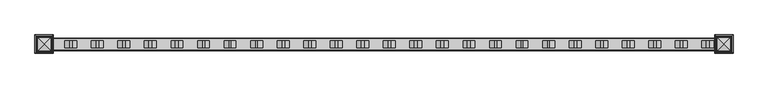
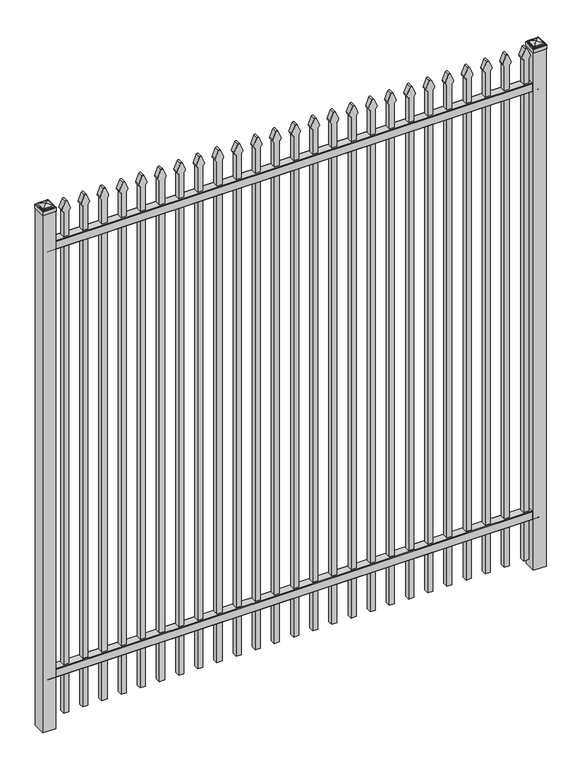
"""IFC4 building model written with IfcOpenShell, lengths in millimetres: railing geometry."""

from ifc_helpers import new_model, si_unit, point, frame, frame_2d, origin, origin_with_axes, place, context, project, spatial, polyline, circle_curve, ellipse_curve, trimmed, segment, composite_curve, outline, extrude, source, transform, mapped, element, save
from ifc_brep_helpers import plane_surface, cylinder_surface, advanced_brep


def railing_430ae31b(model_context):
    return source(origin(), model_context, "Body", "SolidModel", [
        extrude(outline(composite_curve([segment(polyline([(5777.9139761, 304.8), (5815.969541, 304.8)]), True, "CONTINUOUS"), segment(trimmed(circle_curve(frame_2d((5815.969541, 301.625)), 3.175), [point((5815.969541, 304.8))], [point((5819.144541, 301.625))], False, "CARTESIAN"), True, "CONTINUOUS"), segment(polyline([(5819.144541, 301.625), (5819.144541, 262.1439893)]), True, "CONTINUOUS"), segment(trimmed(circle_curve(frame_2d((5817.3505518, 262.1439893)), 1.7939893), [point((5819.144541, 262.1439893))], [point((5817.3505518, 260.35))], False, "CARTESIAN"), True, "CONTINUOUS"), segment(polyline([(5817.3505518, 260.35), (5814.7590713, 260.35)]), True, "CONTINUOUS"), segment(trimmed(circle_curve(frame_2d((5814.7590713, 262.1359375)), 1.7859375), [point((5814.7590713, 260.35))], [point((5812.9755813, 262.0424688))], False, "CARTESIAN"), True, "CONTINUOUS"), segment(polyline([(5812.9755813, 262.0424688), (5811.4025867, 292.0569942), (5782.4364954, 292.0569942), (5780.8635007, 262.0424688)]), True, "CONTINUOUS"), segment(trimmed(circle_curve(frame_2d((5779.0800108, 262.1359375)), 1.7859375), [point((5780.8635007, 262.0424688))], [point((5779.0800108, 260.35))], False, "CARTESIAN"), True, "CONTINUOUS"), segment(polyline([(5779.0800108, 260.35), (5776.4804785, 260.35)]), True, "CONTINUOUS"), segment(trimmed(circle_curve(frame_2d((5776.4804785, 262.1359375)), 1.7859375), [point((5776.4804785, 260.35))], [point((5774.694541, 262.1359375))], False, "CARTESIAN"), True, "CONTINUOUS"), segment(polyline([(5774.694541, 262.1359375), (5774.694541, 301.5805649)]), True, "CONTINUOUS"), segment(trimmed(circle_curve(frame_2d((5777.9139761, 301.5805649)), 3.2194351), [point((5774.694541, 301.5805649))], [point((5777.9139761, 304.8))], False, "CARTESIAN"), True, "CONTINUOUS")], self_intersect=False)), frame((-33015.4649936, 0.0, 0.0), z_axis=(1.0, 0.0, 0.0), x_axis=(0.0, 1.0, 0.0)), (0.0, 0.0, 1.0), 2438.4),
        extrude(outline(composite_curve([segment(polyline([(5777.9139761, 2554.2875), (5815.969541, 2554.2875)]), True, "CONTINUOUS"), segment(trimmed(circle_curve(frame_2d((5815.969541, 2551.1125)), 3.175), [point((5815.969541, 2554.2875))], [point((5819.144541, 2551.1125))], False, "CARTESIAN"), True, "CONTINUOUS"), segment(polyline([(5819.144541, 2551.1125), (5819.144541, 2511.6314893)]), True, "CONTINUOUS"), segment(trimmed(circle_curve(frame_2d((5817.3505518, 2511.6314893)), 1.7939893), [point((5819.144541, 2511.6314893))], [point((5817.3505518, 2509.8375))], False, "CARTESIAN"), True, "CONTINUOUS"), segment(polyline([(5817.3505518, 2509.8375), (5814.7590713, 2509.8375)]), True, "CONTINUOUS"), segment(trimmed(circle_curve(frame_2d((5814.7590713, 2511.6234375)), 1.7859375), [point((5814.7590713, 2509.8375))], [point((5812.9755813, 2511.5299688))], False, "CARTESIAN"), True, "CONTINUOUS"), segment(polyline([(5812.9755813, 2511.5299688), (5811.4025867, 2541.5444942), (5782.4364954, 2541.5444942), (5780.8635007, 2511.5299688)]), True, "CONTINUOUS"), segment(trimmed(circle_curve(frame_2d((5779.0800108, 2511.6234375)), 1.7859375), [point((5780.8635007, 2511.5299688))], [point((5779.0800108, 2509.8375))], False, "CARTESIAN"), True, "CONTINUOUS"), segment(polyline([(5779.0800108, 2509.8375), (5776.4804785, 2509.8375)]), True, "CONTINUOUS"), segment(trimmed(circle_curve(frame_2d((5776.4804785, 2511.6234375)), 1.7859375), [point((5776.4804785, 2509.8375))], [point((5774.694541, 2511.6234375))], False, "CARTESIAN"), True, "CONTINUOUS"), segment(polyline([(5774.694541, 2511.6234375), (5774.694541, 2551.0680649)]), True, "CONTINUOUS"), segment(trimmed(circle_curve(frame_2d((5777.9139761, 2551.0680649)), 3.2194351), [point((5774.694541, 2551.0680649))], [point((5777.9139761, 2554.2875))], False, "CARTESIAN"), True, "CONTINUOUS")], self_intersect=False)), frame((-33015.4649936, 0.0, 0.0), z_axis=(1.0, 0.0, 0.0), x_axis=(0.0, 1.0, 0.0)), (0.0, 0.0, 1.0), 2438.4),
        extrude(outline(composite_curve([segment(polyline([(2683.8798417, -30646.9149936), (50.8, -30646.9149936), (50.8, -30621.5149936), (2683.6579232, -30621.5149936)]), True, "CONTINUOUS"), segment(trimmed(circle_curve(frame_2d((2702.1299402, -30635.3872336)), 23.1009622), [point((2683.6579232, -30621.5149936))], [point((2696.6676176, -30612.9413545))], False, "CARTESIAN"), True, "CONTINUOUS"), segment(polyline([(2696.6676176, -30612.9413545), (2737.1555225, -30629.2605644)]), True, "CONTINUOUS"), segment(trimmed(circle_curve(frame_2d((2734.0045804, -30634.3905764)), 6.0204202), [point((2737.1555225, -30629.2605644))], [point((2737.1555225, -30639.5205884))], False, "CARTESIAN"), True, "CONTINUOUS"), segment(polyline([(2737.1555225, -30639.5205884), (2697.9339948, -30655.4687724)]), True, "CONTINUOUS"), segment(trimmed(circle_curve(frame_2d((2702.1299402, -30632.7520716)), 23.1009622), [point((2697.9339948, -30655.4687724))], [point((2683.8798417, -30646.9149936))], False, "CARTESIAN"), True, "CONTINUOUS")], self_intersect=False)), frame((0.0, 5784.219541, 0.0), z_axis=(0.0, 1.0, 0.0), x_axis=(0.0, 0.0, 1.0)), (0.0, 0.0, 1.0), 25.4),
        extrude(outline(composite_curve([segment(polyline([(2683.8798417, -30742.1649936), (50.8, -30742.1649936), (50.8, -30716.7649936), (2683.6579232, -30716.7649936)]), True, "CONTINUOUS"), segment(trimmed(circle_curve(frame_2d((2702.1299402, -30730.6372336)), 23.1009622), [point((2683.6579232, -30716.7649936))], [point((2696.6676176, -30708.1913545))], False, "CARTESIAN"), True, "CONTINUOUS"), segment(polyline([(2696.6676176, -30708.1913545), (2737.1555225, -30724.5105644)]), True, "CONTINUOUS"), segment(trimmed(circle_curve(frame_2d((2734.0045804, -30729.6405764)), 6.0204202), [point((2737.1555225, -30724.5105644))], [point((2737.1555225, -30734.7705884))], False, "CARTESIAN"), True, "CONTINUOUS"), segment(polyline([(2737.1555225, -30734.7705884), (2697.9339948, -30750.7187724)]), True, "CONTINUOUS"), segment(trimmed(circle_curve(frame_2d((2702.1299402, -30728.0020716)), 23.1009622), [point((2697.9339948, -30750.7187724))], [point((2683.8798417, -30742.1649936))], False, "CARTESIAN"), True, "CONTINUOUS")], self_intersect=False)), frame((0.0, 5784.219541, 0.0), z_axis=(0.0, 1.0, 0.0), x_axis=(0.0, 0.0, 1.0)), (0.0, 0.0, 1.0), 25.4),
        extrude(outline(composite_curve([segment(polyline([(2683.8798417, -30837.4149936), (50.8, -30837.4149936), (50.8, -30812.0149936), (2683.6579232, -30812.0149936)]), True, "CONTINUOUS"), segment(trimmed(circle_curve(frame_2d((2702.1299402, -30825.8872336)), 23.1009622), [point((2683.6579232, -30812.0149936))], [point((2696.6676176, -30803.4413545))], False, "CARTESIAN"), True, "CONTINUOUS"), segment(polyline([(2696.6676176, -30803.4413545), (2737.1555225, -30819.7605644)]), True, "CONTINUOUS"), segment(trimmed(circle_curve(frame_2d((2734.0045804, -30824.8905764)), 6.0204202), [point((2737.1555225, -30819.7605644))], [point((2737.1555225, -30830.0205884))], False, "CARTESIAN"), True, "CONTINUOUS"), segment(polyline([(2737.1555225, -30830.0205884), (2697.9339948, -30845.9687724)]), True, "CONTINUOUS"), segment(trimmed(circle_curve(frame_2d((2702.1299402, -30823.2520716)), 23.1009622), [point((2697.9339948, -30845.9687724))], [point((2683.8798417, -30837.4149936))], False, "CARTESIAN"), True, "CONTINUOUS")], self_intersect=False)), frame((0.0, 5784.219541, 0.0), z_axis=(0.0, 1.0, 0.0), x_axis=(0.0, 0.0, 1.0)), (0.0, 0.0, 1.0), 25.4),
        extrude(outline(composite_curve([segment(polyline([(2683.8798417, -30932.6649936), (50.8, -30932.6649936), (50.8, -30907.2649936), (2683.6579232, -30907.2649936)]), True, "CONTINUOUS"), segment(trimmed(circle_curve(frame_2d((2702.1299402, -30921.1372336)), 23.1009622), [point((2683.6579232, -30907.2649936))], [point((2696.6676176, -30898.6913545))], False, "CARTESIAN"), True, "CONTINUOUS"), segment(polyline([(2696.6676176, -30898.6913545), (2737.1555225, -30915.0105644)]), True, "CONTINUOUS"), segment(trimmed(circle_curve(frame_2d((2734.0045804, -30920.1405764)), 6.0204202), [point((2737.1555225, -30915.0105644))], [point((2737.1555225, -30925.2705884))], False, "CARTESIAN"), True, "CONTINUOUS"), segment(polyline([(2737.1555225, -30925.2705884), (2697.9339948, -30941.2187724)]), True, "CONTINUOUS"), segment(trimmed(circle_curve(frame_2d((2702.1299402, -30918.5020716)), 23.1009622), [point((2697.9339948, -30941.2187724))], [point((2683.8798417, -30932.6649936))], False, "CARTESIAN"), True, "CONTINUOUS")], self_intersect=False)), frame((0.0, 5784.219541, 0.0), z_axis=(0.0, 1.0, 0.0), x_axis=(0.0, 0.0, 1.0)), (0.0, 0.0, 1.0), 25.4),
        extrude(outline(composite_curve([segment(polyline([(2683.8798417, -31027.9149936), (50.8, -31027.9149936), (50.8, -31002.5149936), (2683.6579232, -31002.5149936)]), True, "CONTINUOUS"), segment(trimmed(circle_curve(frame_2d((2702.1299402, -31016.3872336)), 23.1009622), [point((2683.6579232, -31002.5149936))], [point((2696.6676176, -30993.9413545))], False, "CARTESIAN"), True, "CONTINUOUS"), segment(polyline([(2696.6676176, -30993.9413545), (2737.1555225, -31010.2605644)]), True, "CONTINUOUS"), segment(trimmed(circle_curve(frame_2d((2734.0045804, -31015.3905764)), 6.0204202), [point((2737.1555225, -31010.2605644))], [point((2737.1555225, -31020.5205884))], False, "CARTESIAN"), True, "CONTINUOUS"), segment(polyline([(2737.1555225, -31020.5205884), (2697.9339948, -31036.4687724)]), True, "CONTINUOUS"), segment(trimmed(circle_curve(frame_2d((2702.1299402, -31013.7520716)), 23.1009622), [point((2697.9339948, -31036.4687724))], [point((2683.8798417, -31027.9149936))], False, "CARTESIAN"), True, "CONTINUOUS")], self_intersect=False)), frame((0.0, 5784.219541, 0.0), z_axis=(0.0, 1.0, 0.0), x_axis=(0.0, 0.0, 1.0)), (0.0, 0.0, 1.0), 25.4),
        extrude(outline(composite_curve([segment(polyline([(2683.8798417, -31123.1649936), (50.8, -31123.1649936), (50.8, -31097.7649936), (2683.6579232, -31097.7649936)]), True, "CONTINUOUS"), segment(trimmed(circle_curve(frame_2d((2702.1299402, -31111.6372336)), 23.1009622), [point((2683.6579232, -31097.7649936))], [point((2696.6676176, -31089.1913545))], False, "CARTESIAN"), True, "CONTINUOUS"), segment(polyline([(2696.6676176, -31089.1913545), (2737.1555225, -31105.5105644)]), True, "CONTINUOUS"), segment(trimmed(circle_curve(frame_2d((2734.0045804, -31110.6405764)), 6.0204202), [point((2737.1555225, -31105.5105644))], [point((2737.1555225, -31115.7705884))], False, "CARTESIAN"), True, "CONTINUOUS"), segment(polyline([(2737.1555225, -31115.7705884), (2697.9339948, -31131.7187724)]), True, "CONTINUOUS"), segment(trimmed(circle_curve(frame_2d((2702.1299402, -31109.0020716)), 23.1009622), [point((2697.9339948, -31131.7187724))], [point((2683.8798417, -31123.1649936))], False, "CARTESIAN"), True, "CONTINUOUS")], self_intersect=False)), frame((0.0, 5784.219541, 0.0), z_axis=(0.0, 1.0, 0.0), x_axis=(0.0, 0.0, 1.0)), (0.0, 0.0, 1.0), 25.4),
        extrude(outline(composite_curve([segment(polyline([(2683.8798417, -31218.4149936), (50.8, -31218.4149936), (50.8, -31193.0149936), (2683.6579232, -31193.0149936)]), True, "CONTINUOUS"), segment(trimmed(circle_curve(frame_2d((2702.1299402, -31206.8872336)), 23.1009622), [point((2683.6579232, -31193.0149936))], [point((2696.6676176, -31184.4413545))], False, "CARTESIAN"), True, "CONTINUOUS"), segment(polyline([(2696.6676176, -31184.4413545), (2737.1555225, -31200.7605644)]), True, "CONTINUOUS"), segment(trimmed(circle_curve(frame_2d((2734.0045804, -31205.8905764)), 6.0204202), [point((2737.1555225, -31200.7605644))], [point((2737.1555225, -31211.0205884))], False, "CARTESIAN"), True, "CONTINUOUS"), segment(polyline([(2737.1555225, -31211.0205884), (2697.9339948, -31226.9687724)]), True, "CONTINUOUS"), segment(trimmed(circle_curve(frame_2d((2702.1299402, -31204.2520716)), 23.1009622), [point((2697.9339948, -31226.9687724))], [point((2683.8798417, -31218.4149936))], False, "CARTESIAN"), True, "CONTINUOUS")], self_intersect=False)), frame((0.0, 5784.219541, 0.0), z_axis=(0.0, 1.0, 0.0), x_axis=(0.0, 0.0, 1.0)), (0.0, 0.0, 1.0), 25.4),
        extrude(outline(composite_curve([segment(polyline([(2683.8798417, -31313.6649936), (50.8, -31313.6649936), (50.8, -31288.2649936), (2683.6579232, -31288.2649936)]), True, "CONTINUOUS"), segment(trimmed(circle_curve(frame_2d((2702.1299402, -31302.1372336)), 23.1009622), [point((2683.6579232, -31288.2649936))], [point((2696.6676176, -31279.6913545))], False, "CARTESIAN"), True, "CONTINUOUS"), segment(polyline([(2696.6676176, -31279.6913545), (2737.1555225, -31296.0105644)]), True, "CONTINUOUS"), segment(trimmed(circle_curve(frame_2d((2734.0045804, -31301.1405764)), 6.0204202), [point((2737.1555225, -31296.0105644))], [point((2737.1555225, -31306.2705884))], False, "CARTESIAN"), True, "CONTINUOUS"), segment(polyline([(2737.1555225, -31306.2705884), (2697.9339948, -31322.2187724)]), True, "CONTINUOUS"), segment(trimmed(circle_curve(frame_2d((2702.1299402, -31299.5020716)), 23.1009622), [point((2697.9339948, -31322.2187724))], [point((2683.8798417, -31313.6649936))], False, "CARTESIAN"), True, "CONTINUOUS")], self_intersect=False)), frame((0.0, 5784.219541, 0.0), z_axis=(0.0, 1.0, 0.0), x_axis=(0.0, 0.0, 1.0)), (0.0, 0.0, 1.0), 25.4),
        extrude(outline(composite_curve([segment(polyline([(2683.8798417, -31408.9149936), (50.8, -31408.9149936), (50.8, -31383.5149936), (2683.6579232, -31383.5149936)]), True, "CONTINUOUS"), segment(trimmed(circle_curve(frame_2d((2702.1299402, -31397.3872336)), 23.1009622), [point((2683.6579232, -31383.5149936))], [point((2696.6676176, -31374.9413545))], False, "CARTESIAN"), True, "CONTINUOUS"), segment(polyline([(2696.6676176, -31374.9413545), (2737.1555225, -31391.2605644)]), True, "CONTINUOUS"), segment(trimmed(circle_curve(frame_2d((2734.0045804, -31396.3905764)), 6.0204202), [point((2737.1555225, -31391.2605644))], [point((2737.1555225, -31401.5205884))], False, "CARTESIAN"), True, "CONTINUOUS"), segment(polyline([(2737.1555225, -31401.5205884), (2697.9339948, -31417.4687724)]), True, "CONTINUOUS"), segment(trimmed(circle_curve(frame_2d((2702.1299402, -31394.7520716)), 23.1009622), [point((2697.9339948, -31417.4687724))], [point((2683.8798417, -31408.9149936))], False, "CARTESIAN"), True, "CONTINUOUS")], self_intersect=False)), frame((0.0, 5784.219541, 0.0), z_axis=(0.0, 1.0, 0.0), x_axis=(0.0, 0.0, 1.0)), (0.0, 0.0, 1.0), 25.4),
        extrude(outline(composite_curve([segment(polyline([(2683.8798417, -31504.1649936), (50.8, -31504.1649936), (50.8, -31478.7649936), (2683.6579232, -31478.7649936)]), True, "CONTINUOUS"), segment(trimmed(circle_curve(frame_2d((2702.1299402, -31492.6372336)), 23.1009622), [point((2683.6579232, -31478.7649936))], [point((2696.6676176, -31470.1913545))], False, "CARTESIAN"), True, "CONTINUOUS"), segment(polyline([(2696.6676176, -31470.1913545), (2737.1555225, -31486.5105644)]), True, "CONTINUOUS"), segment(trimmed(circle_curve(frame_2d((2734.0045804, -31491.6405764)), 6.0204202), [point((2737.1555225, -31486.5105644))], [point((2737.1555225, -31496.7705884))], False, "CARTESIAN"), True, "CONTINUOUS"), segment(polyline([(2737.1555225, -31496.7705884), (2697.9339948, -31512.7187724)]), True, "CONTINUOUS"), segment(trimmed(circle_curve(frame_2d((2702.1299402, -31490.0020716)), 23.1009622), [point((2697.9339948, -31512.7187724))], [point((2683.8798417, -31504.1649936))], False, "CARTESIAN"), True, "CONTINUOUS")], self_intersect=False)), frame((0.0, 5784.219541, 0.0), z_axis=(0.0, 1.0, 0.0), x_axis=(0.0, 0.0, 1.0)), (0.0, 0.0, 1.0), 25.4),
        extrude(outline(composite_curve([segment(polyline([(2683.8798417, -31599.4149936), (50.8, -31599.4149936), (50.8, -31574.0149936), (2683.6579232, -31574.0149936)]), True, "CONTINUOUS"), segment(trimmed(circle_curve(frame_2d((2702.1299402, -31587.8872336)), 23.1009622), [point((2683.6579232, -31574.0149936))], [point((2696.6676176, -31565.4413545))], False, "CARTESIAN"), True, "CONTINUOUS"), segment(polyline([(2696.6676176, -31565.4413545), (2737.1555225, -31581.7605644)]), True, "CONTINUOUS"), segment(trimmed(circle_curve(frame_2d((2734.0045804, -31586.8905764)), 6.0204202), [point((2737.1555225, -31581.7605644))], [point((2737.1555225, -31592.0205884))], False, "CARTESIAN"), True, "CONTINUOUS"), segment(polyline([(2737.1555225, -31592.0205884), (2697.9339948, -31607.9687724)]), True, "CONTINUOUS"), segment(trimmed(circle_curve(frame_2d((2702.1299402, -31585.2520716)), 23.1009622), [point((2697.9339948, -31607.9687724))], [point((2683.8798417, -31599.4149936))], False, "CARTESIAN"), True, "CONTINUOUS")], self_intersect=False)), frame((0.0, 5784.219541, 0.0), z_axis=(0.0, 1.0, 0.0), x_axis=(0.0, 0.0, 1.0)), (0.0, 0.0, 1.0), 25.4),
        extrude(outline(composite_curve([segment(polyline([(2683.8798417, -31694.6649936), (50.8, -31694.6649936), (50.8, -31669.2649936), (2683.6579232, -31669.2649936)]), True, "CONTINUOUS"), segment(trimmed(circle_curve(frame_2d((2702.1299402, -31683.1372336)), 23.1009622), [point((2683.6579232, -31669.2649936))], [point((2696.6676176, -31660.6913545))], False, "CARTESIAN"), True, "CONTINUOUS"), segment(polyline([(2696.6676176, -31660.6913545), (2737.1555225, -31677.0105644)]), True, "CONTINUOUS"), segment(trimmed(circle_curve(frame_2d((2734.0045804, -31682.1405764)), 6.0204202), [point((2737.1555225, -31677.0105644))], [point((2737.1555225, -31687.2705884))], False, "CARTESIAN"), True, "CONTINUOUS"), segment(polyline([(2737.1555225, -31687.2705884), (2697.9339948, -31703.2187724)]), True, "CONTINUOUS"), segment(trimmed(circle_curve(frame_2d((2702.1299402, -31680.5020716)), 23.1009622), [point((2697.9339948, -31703.2187724))], [point((2683.8798417, -31694.6649936))], False, "CARTESIAN"), True, "CONTINUOUS")], self_intersect=False)), frame((0.0, 5784.219541, 0.0), z_axis=(0.0, 1.0, 0.0), x_axis=(0.0, 0.0, 1.0)), (0.0, 0.0, 1.0), 25.4),
        extrude(outline(composite_curve([segment(polyline([(2683.8798417, -31789.9149936), (50.8, -31789.9149936), (50.8, -31764.5149936), (2683.6579232, -31764.5149936)]), True, "CONTINUOUS"), segment(trimmed(circle_curve(frame_2d((2702.1299402, -31778.3872336)), 23.1009622), [point((2683.6579232, -31764.5149936))], [point((2696.6676176, -31755.9413545))], False, "CARTESIAN"), True, "CONTINUOUS"), segment(polyline([(2696.6676176, -31755.9413545), (2737.1555225, -31772.2605644)]), True, "CONTINUOUS"), segment(trimmed(circle_curve(frame_2d((2734.0045804, -31777.3905764)), 6.0204202), [point((2737.1555225, -31772.2605644))], [point((2737.1555225, -31782.5205884))], False, "CARTESIAN"), True, "CONTINUOUS"), segment(polyline([(2737.1555225, -31782.5205884), (2697.9339948, -31798.4687724)]), True, "CONTINUOUS"), segment(trimmed(circle_curve(frame_2d((2702.1299402, -31775.7520716)), 23.1009622), [point((2697.9339948, -31798.4687724))], [point((2683.8798417, -31789.9149936))], False, "CARTESIAN"), True, "CONTINUOUS")], self_intersect=False)), frame((0.0, 5784.219541, 0.0), z_axis=(0.0, 1.0, 0.0), x_axis=(0.0, 0.0, 1.0)), (0.0, 0.0, 1.0), 25.4),
        extrude(outline(composite_curve([segment(polyline([(2683.8798417, -31885.1649936), (50.8, -31885.1649936), (50.8, -31859.7649936), (2683.6579232, -31859.7649936)]), True, "CONTINUOUS"), segment(trimmed(circle_curve(frame_2d((2702.1299402, -31873.6372336)), 23.1009622), [point((2683.6579232, -31859.7649936))], [point((2696.6676176, -31851.1913545))], False, "CARTESIAN"), True, "CONTINUOUS"), segment(polyline([(2696.6676176, -31851.1913545), (2737.1555225, -31867.5105644)]), True, "CONTINUOUS"), segment(trimmed(circle_curve(frame_2d((2734.0045804, -31872.6405764)), 6.0204202), [point((2737.1555225, -31867.5105644))], [point((2737.1555225, -31877.7705884))], False, "CARTESIAN"), True, "CONTINUOUS"), segment(polyline([(2737.1555225, -31877.7705884), (2697.9339948, -31893.7187724)]), True, "CONTINUOUS"), segment(trimmed(circle_curve(frame_2d((2702.1299402, -31871.0020716)), 23.1009622), [point((2697.9339948, -31893.7187724))], [point((2683.8798417, -31885.1649936))], False, "CARTESIAN"), True, "CONTINUOUS")], self_intersect=False)), frame((0.0, 5784.219541, 0.0), z_axis=(0.0, 1.0, 0.0), x_axis=(0.0, 0.0, 1.0)), (0.0, 0.0, 1.0), 25.4),
        extrude(outline(composite_curve([segment(polyline([(2683.8798417, -31980.4149936), (50.8, -31980.4149936), (50.8, -31955.0149936), (2683.6579232, -31955.0149936)]), True, "CONTINUOUS"), segment(trimmed(circle_curve(frame_2d((2702.1299402, -31968.8872336)), 23.1009622), [point((2683.6579232, -31955.0149936))], [point((2696.6676176, -31946.4413545))], False, "CARTESIAN"), True, "CONTINUOUS"), segment(polyline([(2696.6676176, -31946.4413545), (2737.1555225, -31962.7605644)]), True, "CONTINUOUS"), segment(trimmed(circle_curve(frame_2d((2734.0045804, -31967.8905764)), 6.0204202), [point((2737.1555225, -31962.7605644))], [point((2737.1555225, -31973.0205884))], False, "CARTESIAN"), True, "CONTINUOUS"), segment(polyline([(2737.1555225, -31973.0205884), (2697.9339948, -31988.9687724)]), True, "CONTINUOUS"), segment(trimmed(circle_curve(frame_2d((2702.1299402, -31966.2520716)), 23.1009622), [point((2697.9339948, -31988.9687724))], [point((2683.8798417, -31980.4149936))], False, "CARTESIAN"), True, "CONTINUOUS")], self_intersect=False)), frame((0.0, 5784.219541, 0.0), z_axis=(0.0, 1.0, 0.0), x_axis=(0.0, 0.0, 1.0)), (0.0, 0.0, 1.0), 25.4),
        extrude(outline(composite_curve([segment(polyline([(2683.8798417, -32075.6649936), (50.8, -32075.6649936), (50.8, -32050.2649936), (2683.6579232, -32050.2649936)]), True, "CONTINUOUS"), segment(trimmed(circle_curve(frame_2d((2702.1299402, -32064.1372336)), 23.1009622), [point((2683.6579232, -32050.2649936))], [point((2696.6676176, -32041.6913545))], False, "CARTESIAN"), True, "CONTINUOUS"), segment(polyline([(2696.6676176, -32041.6913545), (2737.1555225, -32058.0105644)]), True, "CONTINUOUS"), segment(trimmed(circle_curve(frame_2d((2734.0045804, -32063.1405764)), 6.0204202), [point((2737.1555225, -32058.0105644))], [point((2737.1555225, -32068.2705884))], False, "CARTESIAN"), True, "CONTINUOUS"), segment(polyline([(2737.1555225, -32068.2705884), (2697.9339948, -32084.2187724)]), True, "CONTINUOUS"), segment(trimmed(circle_curve(frame_2d((2702.1299402, -32061.5020716)), 23.1009622), [point((2697.9339948, -32084.2187724))], [point((2683.8798417, -32075.6649936))], False, "CARTESIAN"), True, "CONTINUOUS")], self_intersect=False)), frame((0.0, 5784.219541, 0.0), z_axis=(0.0, 1.0, 0.0), x_axis=(0.0, 0.0, 1.0)), (0.0, 0.0, 1.0), 25.4),
        extrude(outline(composite_curve([segment(polyline([(2683.8798417, -32170.9149936), (50.8, -32170.9149936), (50.8, -32145.5149936), (2683.6579232, -32145.5149936)]), True, "CONTINUOUS"), segment(trimmed(circle_curve(frame_2d((2702.1299402, -32159.3872336)), 23.1009622), [point((2683.6579232, -32145.5149936))], [point((2696.6676176, -32136.9413545))], False, "CARTESIAN"), True, "CONTINUOUS"), segment(polyline([(2696.6676176, -32136.9413545), (2737.1555225, -32153.2605644)]), True, "CONTINUOUS"), segment(trimmed(circle_curve(frame_2d((2734.0045804, -32158.3905764)), 6.0204202), [point((2737.1555225, -32153.2605644))], [point((2737.1555225, -32163.5205884))], False, "CARTESIAN"), True, "CONTINUOUS"), segment(polyline([(2737.1555225, -32163.5205884), (2697.9339948, -32179.4687724)]), True, "CONTINUOUS"), segment(trimmed(circle_curve(frame_2d((2702.1299402, -32156.7520716)), 23.1009622), [point((2697.9339948, -32179.4687724))], [point((2683.8798417, -32170.9149936))], False, "CARTESIAN"), True, "CONTINUOUS")], self_intersect=False)), frame((0.0, 5784.219541, 0.0), z_axis=(0.0, 1.0, 0.0), x_axis=(0.0, 0.0, 1.0)), (0.0, 0.0, 1.0), 25.4),
        extrude(outline(composite_curve([segment(polyline([(2683.8798417, -32266.1649936), (50.8, -32266.1649936), (50.8, -32240.7649936), (2683.6579232, -32240.7649936)]), True, "CONTINUOUS"), segment(trimmed(circle_curve(frame_2d((2702.1299402, -32254.6372336)), 23.1009622), [point((2683.6579232, -32240.7649936))], [point((2696.6676176, -32232.1913545))], False, "CARTESIAN"), True, "CONTINUOUS"), segment(polyline([(2696.6676176, -32232.1913545), (2737.1555225, -32248.5105644)]), True, "CONTINUOUS"), segment(trimmed(circle_curve(frame_2d((2734.0045804, -32253.6405764)), 6.0204202), [point((2737.1555225, -32248.5105644))], [point((2737.1555225, -32258.7705884))], False, "CARTESIAN"), True, "CONTINUOUS"), segment(polyline([(2737.1555225, -32258.7705884), (2697.9339948, -32274.7187724)]), True, "CONTINUOUS"), segment(trimmed(circle_curve(frame_2d((2702.1299402, -32252.0020716)), 23.1009622), [point((2697.9339948, -32274.7187724))], [point((2683.8798417, -32266.1649936))], False, "CARTESIAN"), True, "CONTINUOUS")], self_intersect=False)), frame((0.0, 5784.219541, 0.0), z_axis=(0.0, 1.0, 0.0), x_axis=(0.0, 0.0, 1.0)), (0.0, 0.0, 1.0), 25.4),
        extrude(outline(composite_curve([segment(polyline([(2683.8798417, -32361.4149936), (50.8, -32361.4149936), (50.8, -32336.0149936), (2683.6579232, -32336.0149936)]), True, "CONTINUOUS"), segment(trimmed(circle_curve(frame_2d((2702.1299402, -32349.8872336)), 23.1009622), [point((2683.6579232, -32336.0149936))], [point((2696.6676176, -32327.4413545))], False, "CARTESIAN"), True, "CONTINUOUS"), segment(polyline([(2696.6676176, -32327.4413545), (2737.1555225, -32343.7605644)]), True, "CONTINUOUS"), segment(trimmed(circle_curve(frame_2d((2734.0045804, -32348.8905764)), 6.0204202), [point((2737.1555225, -32343.7605644))], [point((2737.1555225, -32354.0205884))], False, "CARTESIAN"), True, "CONTINUOUS"), segment(polyline([(2737.1555225, -32354.0205884), (2697.9339948, -32369.9687724)]), True, "CONTINUOUS"), segment(trimmed(circle_curve(frame_2d((2702.1299402, -32347.2520716)), 23.1009622), [point((2697.9339948, -32369.9687724))], [point((2683.8798417, -32361.4149936))], False, "CARTESIAN"), True, "CONTINUOUS")], self_intersect=False)), frame((0.0, 5784.219541, 0.0), z_axis=(0.0, 1.0, 0.0), x_axis=(0.0, 0.0, 1.0)), (0.0, 0.0, 1.0), 25.4),
        extrude(outline(composite_curve([segment(polyline([(2683.8798417, -32456.6649936), (50.8, -32456.6649936), (50.8, -32431.2649936), (2683.6579232, -32431.2649936)]), True, "CONTINUOUS"), segment(trimmed(circle_curve(frame_2d((2702.1299402, -32445.1372336)), 23.1009622), [point((2683.6579232, -32431.2649936))], [point((2696.6676176, -32422.6913545))], False, "CARTESIAN"), True, "CONTINUOUS"), segment(polyline([(2696.6676176, -32422.6913545), (2737.1555225, -32439.0105644)]), True, "CONTINUOUS"), segment(trimmed(circle_curve(frame_2d((2734.0045804, -32444.1405764)), 6.0204202), [point((2737.1555225, -32439.0105644))], [point((2737.1555225, -32449.2705884))], False, "CARTESIAN"), True, "CONTINUOUS"), segment(polyline([(2737.1555225, -32449.2705884), (2697.9339948, -32465.2187724)]), True, "CONTINUOUS"), segment(trimmed(circle_curve(frame_2d((2702.1299402, -32442.5020716)), 23.1009622), [point((2697.9339948, -32465.2187724))], [point((2683.8798417, -32456.6649936))], False, "CARTESIAN"), True, "CONTINUOUS")], self_intersect=False)), frame((0.0, 5784.219541, 0.0), z_axis=(0.0, 1.0, 0.0), x_axis=(0.0, 0.0, 1.0)), (0.0, 0.0, 1.0), 25.4),
        extrude(outline(composite_curve([segment(polyline([(2683.8798417, -32551.9149936), (50.8, -32551.9149936), (50.8, -32526.5149936), (2683.6579232, -32526.5149936)]), True, "CONTINUOUS"), segment(trimmed(circle_curve(frame_2d((2702.1299402, -32540.3872336)), 23.1009622), [point((2683.6579232, -32526.5149936))], [point((2696.6676176, -32517.9413545))], False, "CARTESIAN"), True, "CONTINUOUS"), segment(polyline([(2696.6676176, -32517.9413545), (2737.1555225, -32534.2605644)]), True, "CONTINUOUS"), segment(trimmed(circle_curve(frame_2d((2734.0045804, -32539.3905764)), 6.0204202), [point((2737.1555225, -32534.2605644))], [point((2737.1555225, -32544.5205884))], False, "CARTESIAN"), True, "CONTINUOUS"), segment(polyline([(2737.1555225, -32544.5205884), (2697.9339948, -32560.4687724)]), True, "CONTINUOUS"), segment(trimmed(circle_curve(frame_2d((2702.1299402, -32537.7520716)), 23.1009622), [point((2697.9339948, -32560.4687724))], [point((2683.8798417, -32551.9149936))], False, "CARTESIAN"), True, "CONTINUOUS")], self_intersect=False)), frame((0.0, 5784.219541, 0.0), z_axis=(0.0, 1.0, 0.0), x_axis=(0.0, 0.0, 1.0)), (0.0, 0.0, 1.0), 25.4),
        extrude(outline(composite_curve([segment(polyline([(2683.8798417, -32647.1649936), (50.8, -32647.1649936), (50.8, -32621.7649936), (2683.6579232, -32621.7649936)]), True, "CONTINUOUS"), segment(trimmed(circle_curve(frame_2d((2702.1299402, -32635.6372336)), 23.1009622), [point((2683.6579232, -32621.7649936))], [point((2696.6676176, -32613.1913545))], False, "CARTESIAN"), True, "CONTINUOUS"), segment(polyline([(2696.6676176, -32613.1913545), (2737.1555225, -32629.5105644)]), True, "CONTINUOUS"), segment(trimmed(circle_curve(frame_2d((2734.0045804, -32634.6405764)), 6.0204202), [point((2737.1555225, -32629.5105644))], [point((2737.1555225, -32639.7705884))], False, "CARTESIAN"), True, "CONTINUOUS"), segment(polyline([(2737.1555225, -32639.7705884), (2697.9339948, -32655.7187724)]), True, "CONTINUOUS"), segment(trimmed(circle_curve(frame_2d((2702.1299402, -32633.0020716)), 23.1009622), [point((2697.9339948, -32655.7187724))], [point((2683.8798417, -32647.1649936))], False, "CARTESIAN"), True, "CONTINUOUS")], self_intersect=False)), frame((0.0, 5784.219541, 0.0), z_axis=(0.0, 1.0, 0.0), x_axis=(0.0, 0.0, 1.0)), (0.0, 0.0, 1.0), 25.4),
        extrude(outline(composite_curve([segment(polyline([(2683.8798417, -32742.4149936), (50.8, -32742.4149936), (50.8, -32717.0149936), (2683.6579232, -32717.0149936)]), True, "CONTINUOUS"), segment(trimmed(circle_curve(frame_2d((2702.1299402, -32730.8872336)), 23.1009622), [point((2683.6579232, -32717.0149936))], [point((2696.6676176, -32708.4413545))], False, "CARTESIAN"), True, "CONTINUOUS"), segment(polyline([(2696.6676176, -32708.4413545), (2737.1555225, -32724.7605644)]), True, "CONTINUOUS"), segment(trimmed(circle_curve(frame_2d((2734.0045804, -32729.8905764)), 6.0204202), [point((2737.1555225, -32724.7605644))], [point((2737.1555225, -32735.0205884))], False, "CARTESIAN"), True, "CONTINUOUS"), segment(polyline([(2737.1555225, -32735.0205884), (2697.9339948, -32750.9687724)]), True, "CONTINUOUS"), segment(trimmed(circle_curve(frame_2d((2702.1299402, -32728.2520716)), 23.1009622), [point((2697.9339948, -32750.9687724))], [point((2683.8798417, -32742.4149936))], False, "CARTESIAN"), True, "CONTINUOUS")], self_intersect=False)), frame((0.0, 5784.219541, 0.0), z_axis=(0.0, 1.0, 0.0), x_axis=(0.0, 0.0, 1.0)), (0.0, 0.0, 1.0), 25.4),
        extrude(outline(composite_curve([segment(polyline([(2683.8798417, -32837.6649936), (50.8, -32837.6649936), (50.8, -32812.2649936), (2683.6579232, -32812.2649936)]), True, "CONTINUOUS"), segment(trimmed(circle_curve(frame_2d((2702.1299402, -32826.1372336)), 23.1009622), [point((2683.6579232, -32812.2649936))], [point((2696.6676176, -32803.6913545))], False, "CARTESIAN"), True, "CONTINUOUS"), segment(polyline([(2696.6676176, -32803.6913545), (2737.1555225, -32820.0105644)]), True, "CONTINUOUS"), segment(trimmed(circle_curve(frame_2d((2734.0045804, -32825.1405764)), 6.0204202), [point((2737.1555225, -32820.0105644))], [point((2737.1555225, -32830.2705884))], False, "CARTESIAN"), True, "CONTINUOUS"), segment(polyline([(2737.1555225, -32830.2705884), (2697.9339948, -32846.2187724)]), True, "CONTINUOUS"), segment(trimmed(circle_curve(frame_2d((2702.1299402, -32823.5020716)), 23.1009622), [point((2697.9339948, -32846.2187724))], [point((2683.8798417, -32837.6649936))], False, "CARTESIAN"), True, "CONTINUOUS")], self_intersect=False)), frame((0.0, 5784.219541, 0.0), z_axis=(0.0, 1.0, 0.0), x_axis=(0.0, 0.0, 1.0)), (0.0, 0.0, 1.0), 25.4),
        extrude(outline(composite_curve([segment(polyline([(2683.8798417, -32932.9149936), (50.8, -32932.9149936), (50.8, -32907.5149936), (2683.6579232, -32907.5149936)]), True, "CONTINUOUS"), segment(trimmed(circle_curve(frame_2d((2702.1299402, -32921.3872336)), 23.1009622), [point((2683.6579232, -32907.5149936))], [point((2696.6676176, -32898.9413545))], False, "CARTESIAN"), True, "CONTINUOUS"), segment(polyline([(2696.6676176, -32898.9413545), (2737.1555225, -32915.2605644)]), True, "CONTINUOUS"), segment(trimmed(circle_curve(frame_2d((2734.0045804, -32920.3905764)), 6.0204202), [point((2737.1555225, -32915.2605644))], [point((2737.1555225, -32925.5205884))], False, "CARTESIAN"), True, "CONTINUOUS"), segment(polyline([(2737.1555225, -32925.5205884), (2697.9339948, -32941.4687724)]), True, "CONTINUOUS"), segment(trimmed(circle_curve(frame_2d((2702.1299402, -32918.7520716)), 23.1009622), [point((2697.9339948, -32941.4687724))], [point((2683.8798417, -32932.9149936))], False, "CARTESIAN"), True, "CONTINUOUS")], self_intersect=False)), frame((0.0, 5784.219541, 0.0), z_axis=(0.0, 1.0, 0.0), x_axis=(0.0, 0.0, 1.0)), (0.0, 0.0, 1.0), 25.4),
        extrude(outline(polyline([(-30545.3149936, 5828.669541), (-30545.3149936, 5765.169541), (-30608.8149936, 5765.169541), (-30608.8149936, 5828.669541), (-30545.3149936, 5828.669541)])), origin_with_axes(), (0.0, 0.0, 1.0), 2719.3875),
        advanced_brep(
        [(-30610.4024936, 5830.257041, 2737.64375), (-30610.4024936, 5830.257041, 2719.3875), (-30610.4024936, 5763.582041, 2719.3875), (-30610.4024936, 5763.582041, 2737.64375), (-30608.0212436, 5827.875791, 2740.025), (-30608.0212436, 5765.963291, 2740.025), (-30605.6399936, 5825.494541, 2742.40625), (-30605.6399936, 5825.494541, 2740.025), (-30605.6399936, 5768.344541, 2740.025), (-30605.6399936, 5768.344541, 2742.40625), (-30603.2587436, 5823.113291, 2744.7875), (-30603.2587436, 5770.725791, 2744.7875), (-30577.0649936, 5796.919541, 2751.1375), (-30600.8774936, 5820.732041, 2744.7875), (-30600.8774936, 5773.107041, 2744.7875), (-30543.7274936, 5763.582041, 2719.3875), (-30543.7274936, 5763.582041, 2737.64375), (-30546.1087436, 5765.963291, 2740.025), (-30548.4899936, 5768.344541, 2740.025), (-30548.4899936, 5768.344541, 2742.40625), (-30550.8712436, 5770.725791, 2744.7875), (-30553.2524936, 5773.107041, 2744.7875), (-30543.7274936, 5830.257041, 2719.3875), (-30543.7274936, 5830.257041, 2737.64375), (-30546.1087436, 5827.875791, 2740.025), (-30548.4899936, 5825.494541, 2740.025), (-30548.4899936, 5825.494541, 2742.40625), (-30550.8712436, 5823.113291, 2744.7875), (-30553.2524936, 5820.732041, 2744.7875)],
        [
            (0, 1),
            (1, 2),
            (2, 3),
            (3, 0),
            (4, 0, ellipse_curve(frame((-30608.0212436, 5827.875791, 2737.64375), z_axis=(-0.70710678118655, -0.7071067811865449, 0.0), x_axis=(-0.7071067811865448, 0.7071067811865501, 0.0)), 3.367596, 2.38125)),
            (3, 5, ellipse_curve(frame((-30608.0212436, 5765.963291, 2737.64375), z_axis=(-0.7071067811865449, 0.70710678118655, 0.0), x_axis=(0.7071067811865499, 0.707106781186545, 0.0)), 3.367596, 2.38125)),
            (5, 4),
            (6, 7),
            (7, 8),
            (8, 9),
            (9, 6),
            (10, 6, ellipse_curve(frame((-30603.2587436, 5823.113291, 2742.40625), z_axis=(-0.70710678118655, -0.7071067811865449, 0.0), x_axis=(-0.7071067811865448, 0.7071067811865501, 0.0)), 3.367596, 2.38125)),
            (9, 11, ellipse_curve(frame((-30603.2587436, 5770.725791, 2742.40625), z_axis=(-0.7071067811865449, 0.70710678118655, 0.0), x_axis=(0.7071067811865499, 0.707106781186545, 0.0)), 3.367596, 2.38125)),
            (11, 10),
            (12, 13, ellipse_curve(frame((-30577.0649936, 5796.919541, 2703.3140625), z_axis=(-0.70710678118655, -0.7071067811865449, 0.0), x_axis=(-0.7071067811865448, 0.7071067811865501, 0.0)), 67.6325539, 47.8234375)),
            (13, 14),
            (14, 12, ellipse_curve(frame((-30577.0649936, 5796.919541, 2703.3140625), z_axis=(-0.7071067811865449, 0.70710678118655, 0.0), x_axis=(0.7071067811865499, 0.707106781186545, 0.0)), 67.6325539, 47.8234375)),
            (2, 15),
            (15, 16),
            (16, 3),
            (16, 17, ellipse_curve(frame((-30546.1087436, 5765.963291, 2737.64375), z_axis=(-0.70710678118655, -0.707106781186545, 0.0), x_axis=(-0.707106781186545, 0.70710678118655, 0.0)), 3.367596, 2.38125)),
            (17, 5),
            (8, 18),
            (18, 19),
            (19, 9),
            (19, 20, ellipse_curve(frame((-30550.8712436, 5770.725791, 2742.40625), z_axis=(-0.70710678118655, -0.707106781186545, 0.0), x_axis=(-0.707106781186545, 0.70710678118655, 0.0)), 3.367596, 2.38125)),
            (20, 11),
            (14, 21),
            (21, 12, ellipse_curve(frame((-30577.0649936, 5796.919541, 2703.3140625), z_axis=(-0.70710678118655, -0.707106781186545, 0.0), x_axis=(-0.707106781186545, 0.70710678118655, 0.0)), 67.6325539, 47.8234375)),
            (15, 22),
            (22, 23),
            (23, 16),
            (23, 24, ellipse_curve(frame((-30546.1087436, 5827.875791, 2737.64375), z_axis=(0.707106781186545, -0.7071067811865499, 0.0), x_axis=(-0.7071067811865497, -0.7071067811865452, 0.0)), 3.367596, 2.38125)),
            (24, 17),
            (18, 25),
            (25, 26),
            (26, 19),
            (26, 27, ellipse_curve(frame((-30550.8712436, 5823.113291, 2742.40625), z_axis=(0.707106781186545, -0.7071067811865499, 0.0), x_axis=(-0.7071067811865497, -0.7071067811865452, 0.0)), 3.367596, 2.38125)),
            (27, 20),
            (21, 28),
            (28, 12, ellipse_curve(frame((-30577.0649936, 5796.919541, 2703.3140625), z_axis=(0.707106781186545, -0.7071067811865499, 0.0), x_axis=(-0.7071067811865497, -0.7071067811865452, 0.0)), 67.6325539, 47.8234375)),
            (22, 1),
            (0, 23),
            (4, 24),
            (7, 25),
            (6, 26),
            (10, 27),
            (13, 28),
        ],
        [
            plane_surface(frame((-30610.4024936, 5830.257041, 2719.3875), z_axis=(-1.0, 0.0, 0.0), x_axis=(0.0, -1.0, 0.0))),
            cylinder_surface(frame((-30608.0212436, 5828.669541, 2737.64375), z_axis=(0.0, 1.0, 0.0), x_axis=(1.0, 0.0, 0.0)), 2.38125),
            plane_surface(frame((-30605.6399936, 5825.494541, 2740.025), z_axis=(-1.0, 0.0, 0.0), x_axis=(0.0, -1.0, 0.0))),
            cylinder_surface(frame((-30603.2587436, 5828.669541, 2742.40625), z_axis=(0.0, 1.0, 0.0), x_axis=(1.0, 0.0, 0.0)), 2.38125),
            cylinder_surface(frame((-30577.0649936, 5828.669541, 2703.3140625), z_axis=(0.0, 1.0, 0.0), x_axis=(1.0, 0.0, 0.0)), 47.8234375),
            plane_surface(frame((-30610.4024936, 5763.582041, 2719.3875), z_axis=(0.0, -1.0, 0.0), x_axis=(1.0, 0.0, 0.0))),
            cylinder_surface(frame((-30608.8149936, 5765.963291, 2737.64375), z_axis=(-1.0, 0.0, 0.0), x_axis=(0.0, 1.0, 0.0)), 2.38125),
            plane_surface(frame((-30605.6399936, 5768.344541, 2740.025), z_axis=(0.0, -1.0, 0.0), x_axis=(1.0, 0.0, 0.0))),
            cylinder_surface(frame((-30608.8149936, 5770.725791, 2742.40625), z_axis=(-1.0, 0.0, 0.0), x_axis=(0.0, 1.0, 0.0)), 2.38125),
            cylinder_surface(frame((-30608.8149936, 5796.919541, 2703.3140625), z_axis=(-1.0, 0.0, 0.0), x_axis=(0.0, 1.0, 0.0)), 47.8234375),
            plane_surface(frame((-30543.7274936, 5763.582041, 2719.3875), z_axis=(1.0, 0.0, 0.0), x_axis=(0.0, 1.0, 0.0))),
            cylinder_surface(frame((-30546.1087436, 5765.169541, 2737.64375), z_axis=(0.0, -1.0, 0.0), x_axis=(-1.0, 0.0, 0.0)), 2.38125),
            plane_surface(frame((-30548.4899936, 5768.344541, 2740.025), z_axis=(1.0, 0.0, 0.0), x_axis=(0.0, 1.0, 0.0))),
            cylinder_surface(frame((-30550.8712436, 5765.169541, 2742.40625), z_axis=(0.0, -1.0, 0.0), x_axis=(-1.0, 0.0, 0.0)), 2.38125),
            cylinder_surface(frame((-30577.0649936, 5765.169541, 2703.3140625), z_axis=(0.0, -1.0, 0.0), x_axis=(-1.0, 0.0, 0.0)), 47.8234375),
            plane_surface(frame((-30543.7274936, 5830.257041, 2719.3875), z_axis=(0.0, 1.0, 0.0), x_axis=(-1.0, 0.0, 0.0))),
            cylinder_surface(frame((-30545.3149936, 5827.875791, 2737.64375), z_axis=(1.0, 0.0, 0.0), x_axis=(0.0, -1.0, 0.0)), 2.38125),
            plane_surface(frame((-30546.1087436, 5827.875791, 2740.025), z_axis=(0.0, 0.0, 1.0), x_axis=(-1.0, 0.0, 0.0))),
            plane_surface(frame((-30548.4899936, 5825.494541, 2740.025), z_axis=(0.0, 1.0, 0.0), x_axis=(-1.0, 0.0, 0.0))),
            cylinder_surface(frame((-30545.3149936, 5823.113291, 2742.40625), z_axis=(1.0, 0.0, 0.0), x_axis=(0.0, -1.0, 0.0)), 2.38125),
            plane_surface(frame((-30550.8712436, 5823.113291, 2744.7875), z_axis=(0.0, 0.0, 1.0), x_axis=(-1.0, 0.0, 0.0))),
            cylinder_surface(frame((-30545.3149936, 5796.919541, 2703.3140625), z_axis=(1.0, 0.0, 0.0), x_axis=(0.0, -1.0, 0.0)), 47.8234375),
            plane_surface(frame((-30577.0649936, 5796.919541, 2719.3875), z_axis=(0.0, 0.0, -1.0), x_axis=(-1.0, 0.0, 0.0))),
        ],
        [
            (0, [[1, 2, 3, 4]]),
            (1, [[5, -4, 6, 7]]),
            (2, [[8, 9, 10, 11]]),
            (3, [[12, -11, 13, 14]]),
            (4, [[15, 16, 17]]),
            (5, [[-3, 18, 19, 20]]),
            (6, [[-6, -20, 21, 22]]),
            (7, [[-10, 23, 24, 25]]),
            (8, [[-13, -25, 26, 27]]),
            (9, [[-17, 28, 29]]),
            (10, [[-19, 30, 31, 32]]),
            (11, [[-21, -32, 33, 34]]),
            (12, [[-24, 35, 36, 37]]),
            (13, [[-26, -37, 38, 39]]),
            (14, [[-29, 40, 41]]),
            (15, [[-31, 42, -1, 43]]),
            (16, [[-33, -43, -5, 44]]),
            (17, [[-22, -34, -44, -7], [45, -35, -23, -9]]),
            (18, [[-36, -45, -8, 46]]),
            (19, [[-38, -46, -12, 47]]),
            (20, [[-27, -39, -47, -14], [48, -40, -28, -16]]),
            (21, [[-41, -48, -15]]),
            (22, [[-42, -30, -18, -2]]),
        ],
    ),
        extrude(outline(polyline([(-32983.7149936, 5828.669541), (-32983.7149936, 5765.169541), (-33047.2149936, 5765.169541), (-33047.2149936, 5828.669541), (-32983.7149936, 5828.669541)])), origin_with_axes(), (0.0, 0.0, 1.0), 2719.3875),
        advanced_brep(
        [(-33048.8024936, 5830.257041, 2737.64375), (-33048.8024936, 5830.257041, 2719.3875), (-33048.8024936, 5763.582041, 2719.3875), (-33048.8024936, 5763.582041, 2737.64375), (-33046.4212436, 5827.875791, 2740.025), (-33046.4212436, 5765.963291, 2740.025), (-33044.0399936, 5825.494541, 2742.40625), (-33044.0399936, 5825.494541, 2740.025), (-33044.0399936, 5768.344541, 2740.025), (-33044.0399936, 5768.344541, 2742.40625), (-33041.6587436, 5823.113291, 2744.7875), (-33041.6587436, 5770.725791, 2744.7875), (-33015.4649936, 5796.919541, 2751.1375), (-33039.2774936, 5820.732041, 2744.7875), (-33039.2774936, 5773.107041, 2744.7875), (-32982.1274936, 5763.582041, 2719.3875), (-32982.1274936, 5763.582041, 2737.64375), (-32984.5087436, 5765.963291, 2740.025), (-32986.8899936, 5768.344541, 2740.025), (-32986.8899936, 5768.344541, 2742.40625), (-32989.2712436, 5770.725791, 2744.7875), (-32991.6524936, 5773.107041, 2744.7875), (-32982.1274936, 5830.257041, 2719.3875), (-32982.1274936, 5830.257041, 2737.64375), (-32984.5087436, 5827.875791, 2740.025), (-32986.8899936, 5825.494541, 2740.025), (-32986.8899936, 5825.494541, 2742.40625), (-32989.2712436, 5823.113291, 2744.7875), (-32991.6524936, 5820.732041, 2744.7875)],
        [
            (0, 1),
            (1, 2),
            (2, 3),
            (3, 0),
            (4, 0, ellipse_curve(frame((-33046.4212436, 5827.875791, 2737.64375), z_axis=(-0.70710678118655, -0.7071067811865449, 0.0), x_axis=(-0.7071067811865448, 0.7071067811865501, 0.0)), 3.367596, 2.38125)),
            (3, 5, ellipse_curve(frame((-33046.4212436, 5765.963291, 2737.64375), z_axis=(-0.7071067811865449, 0.70710678118655, 0.0), x_axis=(0.7071067811865499, 0.707106781186545, 0.0)), 3.367596, 2.38125)),
            (5, 4),
            (6, 7),
            (7, 8),
            (8, 9),
            (9, 6),
            (10, 6, ellipse_curve(frame((-33041.6587436, 5823.113291, 2742.40625), z_axis=(-0.70710678118655, -0.7071067811865449, 0.0), x_axis=(-0.7071067811865448, 0.7071067811865501, 0.0)), 3.367596, 2.38125)),
            (9, 11, ellipse_curve(frame((-33041.6587436, 5770.725791, 2742.40625), z_axis=(-0.7071067811865449, 0.70710678118655, 0.0), x_axis=(0.7071067811865499, 0.707106781186545, 0.0)), 3.367596, 2.38125)),
            (11, 10),
            (12, 13, ellipse_curve(frame((-33015.4649936, 5796.919541, 2703.3140625), z_axis=(-0.70710678118655, -0.7071067811865449, 0.0), x_axis=(-0.7071067811865448, 0.7071067811865501, 0.0)), 67.6325539, 47.8234375)),
            (13, 14),
            (14, 12, ellipse_curve(frame((-33015.4649936, 5796.919541, 2703.3140625), z_axis=(-0.7071067811865449, 0.70710678118655, 0.0), x_axis=(0.7071067811865499, 0.707106781186545, 0.0)), 67.6325539, 47.8234375)),
            (2, 15),
            (15, 16),
            (16, 3),
            (16, 17, ellipse_curve(frame((-32984.5087436, 5765.963291, 2737.64375), z_axis=(-0.70710678118655, -0.707106781186545, 0.0), x_axis=(-0.707106781186545, 0.70710678118655, 0.0)), 3.367596, 2.38125)),
            (17, 5),
            (8, 18),
            (18, 19),
            (19, 9),
            (19, 20, ellipse_curve(frame((-32989.2712436, 5770.725791, 2742.40625), z_axis=(-0.70710678118655, -0.707106781186545, 0.0), x_axis=(-0.707106781186545, 0.70710678118655, 0.0)), 3.367596, 2.38125)),
            (20, 11),
            (14, 21),
            (21, 12, ellipse_curve(frame((-33015.4649936, 5796.919541, 2703.3140625), z_axis=(-0.70710678118655, -0.707106781186545, 0.0), x_axis=(-0.707106781186545, 0.70710678118655, 0.0)), 67.6325539, 47.8234375)),
            (15, 22),
            (22, 23),
            (23, 16),
            (23, 24, ellipse_curve(frame((-32984.5087436, 5827.875791, 2737.64375), z_axis=(0.707106781186545, -0.7071067811865499, 0.0), x_axis=(-0.7071067811865497, -0.7071067811865452, 0.0)), 3.367596, 2.38125)),
            (24, 17),
            (18, 25),
            (25, 26),
            (26, 19),
            (26, 27, ellipse_curve(frame((-32989.2712436, 5823.113291, 2742.40625), z_axis=(0.707106781186545, -0.7071067811865499, 0.0), x_axis=(-0.7071067811865497, -0.7071067811865452, 0.0)), 3.367596, 2.38125)),
            (27, 20),
            (21, 28),
            (28, 12, ellipse_curve(frame((-33015.4649936, 5796.919541, 2703.3140625), z_axis=(0.707106781186545, -0.7071067811865499, 0.0), x_axis=(-0.7071067811865497, -0.7071067811865452, 0.0)), 67.6325539, 47.8234375)),
            (22, 1),
            (0, 23),
            (4, 24),
            (7, 25),
            (6, 26),
            (10, 27),
            (13, 28),
        ],
        [
            plane_surface(frame((-33048.8024936, 5830.257041, 2719.3875), z_axis=(-1.0, 0.0, 0.0), x_axis=(0.0, -1.0, 0.0))),
            cylinder_surface(frame((-33046.4212436, 5828.669541, 2737.64375), z_axis=(0.0, 1.0, 0.0), x_axis=(1.0, 0.0, 0.0)), 2.38125),
            plane_surface(frame((-33044.0399936, 5825.494541, 2740.025), z_axis=(-1.0, 0.0, 0.0), x_axis=(0.0, -1.0, 0.0))),
            cylinder_surface(frame((-33041.6587436, 5828.669541, 2742.40625), z_axis=(0.0, 1.0, 0.0), x_axis=(1.0, 0.0, 0.0)), 2.38125),
            cylinder_surface(frame((-33015.4649936, 5828.669541, 2703.3140625), z_axis=(0.0, 1.0, 0.0), x_axis=(1.0, 0.0, 0.0)), 47.8234375),
            plane_surface(frame((-33048.8024936, 5763.582041, 2719.3875), z_axis=(0.0, -1.0, 0.0), x_axis=(1.0, 0.0, 0.0))),
            cylinder_surface(frame((-33047.2149936, 5765.963291, 2737.64375), z_axis=(-1.0, 0.0, 0.0), x_axis=(0.0, 1.0, 0.0)), 2.38125),
            plane_surface(frame((-33044.0399936, 5768.344541, 2740.025), z_axis=(0.0, -1.0, 0.0), x_axis=(1.0, 0.0, 0.0))),
            cylinder_surface(frame((-33047.2149936, 5770.725791, 2742.40625), z_axis=(-1.0, 0.0, 0.0), x_axis=(0.0, 1.0, 0.0)), 2.38125),
            cylinder_surface(frame((-33047.2149936, 5796.919541, 2703.3140625), z_axis=(-1.0, 0.0, 0.0), x_axis=(0.0, 1.0, 0.0)), 47.8234375),
            plane_surface(frame((-32982.1274936, 5763.582041, 2719.3875), z_axis=(1.0, 0.0, 0.0), x_axis=(0.0, 1.0, 0.0))),
            cylinder_surface(frame((-32984.5087436, 5765.169541, 2737.64375), z_axis=(0.0, -1.0, 0.0), x_axis=(-1.0, 0.0, 0.0)), 2.38125),
            plane_surface(frame((-32986.8899936, 5768.344541, 2740.025), z_axis=(1.0, 0.0, 0.0), x_axis=(0.0, 1.0, 0.0))),
            cylinder_surface(frame((-32989.2712436, 5765.169541, 2742.40625), z_axis=(0.0, -1.0, 0.0), x_axis=(-1.0, 0.0, 0.0)), 2.38125),
            cylinder_surface(frame((-33015.4649936, 5765.169541, 2703.3140625), z_axis=(0.0, -1.0, 0.0), x_axis=(-1.0, 0.0, 0.0)), 47.8234375),
            plane_surface(frame((-32982.1274936, 5830.257041, 2719.3875), z_axis=(0.0, 1.0, 0.0), x_axis=(-1.0, 0.0, 0.0))),
            cylinder_surface(frame((-32983.7149936, 5827.875791, 2737.64375), z_axis=(1.0, 0.0, 0.0), x_axis=(0.0, -1.0, 0.0)), 2.38125),
            plane_surface(frame((-32984.5087436, 5827.875791, 2740.025), z_axis=(0.0, 0.0, 1.0), x_axis=(-1.0, 0.0, 0.0))),
            plane_surface(frame((-32986.8899936, 5825.494541, 2740.025), z_axis=(0.0, 1.0, 0.0), x_axis=(-1.0, 0.0, 0.0))),
            cylinder_surface(frame((-32983.7149936, 5823.113291, 2742.40625), z_axis=(1.0, 0.0, 0.0), x_axis=(0.0, -1.0, 0.0)), 2.38125),
            plane_surface(frame((-32989.2712436, 5823.113291, 2744.7875), z_axis=(0.0, 0.0, 1.0), x_axis=(-1.0, 0.0, 0.0))),
            cylinder_surface(frame((-32983.7149936, 5796.919541, 2703.3140625), z_axis=(1.0, 0.0, 0.0), x_axis=(0.0, -1.0, 0.0)), 47.8234375),
            plane_surface(frame((-33015.4649936, 5796.919541, 2719.3875), z_axis=(0.0, 0.0, -1.0), x_axis=(-1.0, 0.0, 0.0))),
        ],
        [
            (0, [[1, 2, 3, 4]]),
            (1, [[5, -4, 6, 7]]),
            (2, [[8, 9, 10, 11]]),
            (3, [[12, -11, 13, 14]]),
            (4, [[15, 16, 17]]),
            (5, [[-3, 18, 19, 20]]),
            (6, [[-6, -20, 21, 22]]),
            (7, [[-10, 23, 24, 25]]),
            (8, [[-13, -25, 26, 27]]),
            (9, [[-17, 28, 29]]),
            (10, [[-19, 30, 31, 32]]),
            (11, [[-21, -32, 33, 34]]),
            (12, [[-24, 35, 36, 37]]),
            (13, [[-26, -37, 38, 39]]),
            (14, [[-29, 40, 41]]),
            (15, [[-31, 42, -1, 43]]),
            (16, [[-33, -43, -5, 44]]),
            (17, [[-22, -34, -44, -7], [45, -35, -23, -9]]),
            (18, [[-36, -45, -8, 46]]),
            (19, [[-38, -46, -12, 47]]),
            (20, [[-27, -39, -47, -14], [48, -40, -28, -16]]),
            (21, [[-41, -48, -15]]),
            (22, [[-42, -30, -18, -2]]),
        ],
    ),
    ])


if __name__ == "__main__":
    model = new_model("IFC4")
    model_context = context("Model", 3, world=origin())
    ifc_project = project(units=[si_unit("LENGTHUNIT", "METRE", prefix="MILLI")], contexts=[model_context])
    site = spatial("IfcSite", under=ifc_project)
    building = spatial("IfcBuilding", under=site)
    placement = place(None, origin())
    railing_shape = railing_430ae31b(model_context)
    element("IfcRailing", 1, at=placement, inside=building, context=model_context, shape_type="MappedRepresentation", body=[
        mapped(railing_shape, transform((0.0, 0.0, 0.0), x_axis=(1.0, 0.0, 0.0), y_axis=(0.0, 1.0, 0.0), z_axis=(0.0, 0.0, 1.0))),
    ])
    save(model, "model.ifc")
